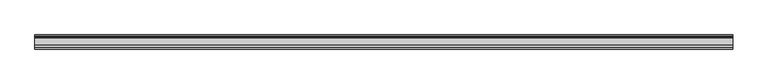
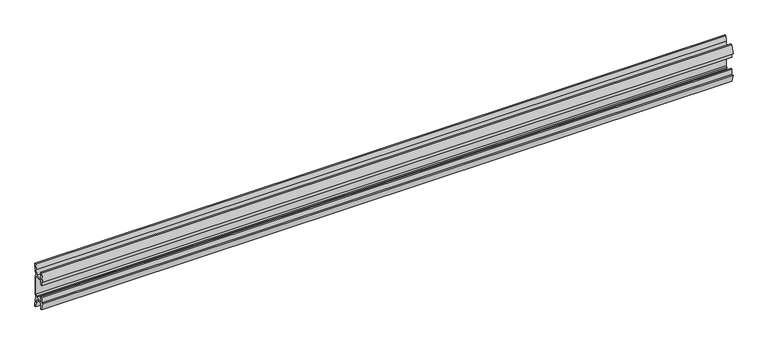
"""IFC4 building model written with IfcOpenShell, lengths in millimetres: furniture geometry."""

from ifc_helpers import new_model, si_unit, point, frame, frame_2d, origin, place, context, project, spatial, polyline, circle_curve, trimmed, segment, composite_curve, outline, extrude, source, transform, mapped, element, save


def furniture_e0d8a962(model_context):
    return source(origin(), model_context, "Body", "SweptSolid", [
        extrude(outline(composite_curve([segment(polyline([(11.858323, 875.8593446), (10.7166987, 869.8999086)]), True, "CONTINUOUS"), segment(trimmed(circle_curve(frame_2d((88.1501042, 855.066314)), 78.8414093), [point((10.7166987, 869.8999086))], [point((9.4546262, 859.8610572))], True, "CARTESIAN"), True, "CONTINUOUS"), segment(polyline([(9.4546262, 859.8610572), (11.4773198, 857.8383637), (11.4773198, 824.9111283), (9.4546262, 822.8884348)]), True, "CONTINUOUS"), segment(trimmed(circle_curve(frame_2d((88.1501042, 827.683178)), 78.8414093), [point((9.4546262, 822.8884348))], [point((10.7166987, 812.8495834))], True, "CARTESIAN"), True, "CONTINUOUS"), segment(polyline([(10.7166987, 812.8495834), (11.858323, 806.8901474), (11.858323, 803.2753909), (9.3183016, 803.2753909), (7.5671861, 812.416455), (6.9977776, 819.1102135), (-5.9218281, 819.1102135), (-5.9218281, 808.5452909), (-8.4618484, 808.5452909), (-11.7914971, 822.0537922), (-8.4618484, 821.0548971), (-8.4618484, 830.5799766), (-5.9218281, 830.5799766), (-5.9218281, 821.689901), (6.7782802, 821.689901), (6.7782802, 824.244435), (8.8976323, 826.0867596), (8.8976323, 856.6657808), (6.7782802, 858.5202145), (-5.2868484, 858.5202145), (-5.2868484, 852.1701604), (-8.4618484, 852.1701604), (-8.4618484, 861.6952399), (-11.858323, 860.4252297), (-8.4618484, 874.204846), (-5.2868484, 874.204846), (-5.2868484, 861.0602359), (6.7782802, 861.0602359), (7.5671861, 870.3343269), (9.3183016, 879.4753909), (11.858323, 879.4753909), (11.858323, 875.8593446)]), True, "CONTINUOUS")], self_intersect=False)), frame((-584.2, 0.0, 0.0), z_axis=(1.0, 0.0, 0.0), x_axis=(0.0, 1.0, 0.0)), (0.0, 0.0, 1.0), 1168.4),
    ])


if __name__ == "__main__":
    model = new_model("IFC4")
    model_context = context("Model", 3, world=origin())
    ifc_project = project(units=[si_unit("LENGTHUNIT", "METRE", prefix="MILLI")], contexts=[model_context])
    site = spatial("IfcSite", under=ifc_project)
    building = spatial("IfcBuilding", under=site)
    placement = place(None, origin())
    furniture_shape = furniture_e0d8a962(model_context)
    element("IfcFurniture", 1, at=placement, inside=building, context=model_context, shape_type="MappedRepresentation", body=[
        mapped(furniture_shape, transform((0.0, 0.0, 0.0), x_axis=(1.0, 0.0, 0.0), y_axis=(0.0, 1.0, 0.0), z_axis=(0.0, 0.0, 1.0))),
    ])
    save(model, "model.ifc")
